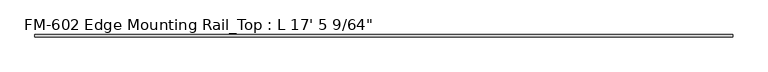
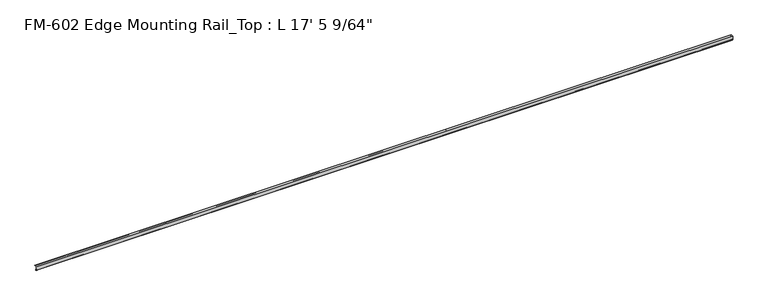
"""IFC4 building model written with IfcOpenShell, lengths in millimetres: proxy geometry."""

from ifc_helpers import new_model, si_unit, point, frame, frame_2d, origin, place, context, project, spatial, polyline, circle_curve, trimmed, segment, composite_curve, outline, extrude, source, transform, mapped, element, save


def proxy_94986d78(model_context):
    return source(origin(), model_context, "Body", "SweptSolid", [
        extrude(outline(composite_curve([segment(polyline([(-13.6400687, -32.1158903), (-15.4750158, -32.6885982)]), True, "CONTINUOUS"), segment(trimmed(circle_curve(frame_2d((-15.6853088, -32.2686835)), 0.4696291), [point((-15.4750158, -32.6885982))], [point((-16.1549378, -32.2686835))], False, "CARTESIAN"), True, "CONTINUOUS"), segment(polyline([(-16.1549378, -32.2686835), (-16.1549378, -30.7270734)]), True, "CONTINUOUS"), segment(trimmed(circle_curve(frame_2d((-17.7424378, -30.7270734)), 1.5875), [point((-16.1549378, -30.7270734))], [point((-17.7424378, -29.1395734))], True, "CARTESIAN"), True, "CONTINUOUS"), segment(polyline([(-17.7424378, -29.1395734), (-19.05, -29.1395734), (-19.05, 0.0), (0.0, 0.0), (0.0, -1.5875), (-3.2106953, -1.5875)]), True, "CONTINUOUS"), segment(trimmed(circle_curve(frame_2d((-4.7981953, -1.5875)), 1.5875), [point((-3.2106953, -1.5875))], [point((-6.3856306, -1.6018315))], False, "CARTESIAN"), True, "CONTINUOUS"), segment(polyline([(-6.3856306, -1.6018315), (-15.5573314, -1.6102595)]), True, "CONTINUOUS"), segment(trimmed(circle_curve(frame_2d((-15.5575, -3.5152595)), 1.905), [point((-15.5573314, -1.6102595))], [point((-17.4625, -3.5152595))], True, "CARTESIAN"), True, "CONTINUOUS"), segment(polyline([(-17.4625, -3.5152595), (-17.4625, -12.4909614), (-17.9716639, -13.408381), (-17.9716639, -14.7485418), (-17.4625, -15.6659614), (-17.4625, -26.8535734)]), True, "CONTINUOUS"), segment(trimmed(circle_curve(frame_2d((-16.9545, -26.8535734)), 0.508), [point((-17.4625, -26.8535734))], [point((-16.9376166, -27.3612928))], True, "CARTESIAN"), True, "CONTINUOUS"), segment(trimmed(circle_curve(frame_2d((-16.9169378, -26.5995734)), 0.762), [point((-16.9376166, -27.3612928))], [point((-16.1779173, -26.4138515))], True, "CARTESIAN"), True, "CONTINUOUS"), segment(trimmed(circle_curve(frame_2d((-15.6245238, -26.2747792)), 0.5706009), [point((-16.1779173, -26.4138515))], [point((-15.4364113, -25.7360779))], False, "CARTESIAN"), True, "CONTINUOUS"), segment(polyline([(-15.4364113, -25.7360779), (-13.6400687, -26.2967369)]), True, "CONTINUOUS"), segment(trimmed(circle_curve(frame_2d((-14.5481808, -29.2063136)), 3.048), [point((-13.6400687, -26.2967369))], [point((-11.9462301, -30.7938136))], False, "CARTESIAN"), True, "CONTINUOUS"), segment(trimmed(circle_curve(frame_2d((-14.5481808, -29.2063136)), 3.048), [point((-11.9462301, -30.7938136))], [point((-13.6400687, -32.1158903))], False, "CARTESIAN"), True, "CONTINUOUS")], self_intersect=False)), frame((0.0, 0.0, 0.0), z_axis=(1.0, 0.0, 0.0), x_axis=(0.0, 1.0, 0.0)), (0.0, 0.0, 1.0), 5312.171875),
    ])


if __name__ == "__main__":
    model = new_model("IFC4")
    model_context = context("Model", 3, world=origin())
    ifc_project = project(units=[si_unit("LENGTHUNIT", "METRE", prefix="MILLI")], contexts=[model_context])
    site = spatial("IfcSite", under=ifc_project)
    building = spatial("IfcBuilding", under=site)
    placement = place(None, origin())
    proxy_shape = proxy_94986d78(model_context)
    element("IfcBuildingElementProxy", 1, Name="FM-602 Edge Mounting Rail_Top : L 17' 5 9/64\"", ObjectType="FM-602 Edge Mounting Rail_Top : L 17' 5 9/64\"", at=placement, inside=building, context=model_context, shape_type="MappedRepresentation", body=[
        mapped(proxy_shape, transform((0.0, 0.0, 0.0), x_axis=(1.0, 0.0, 0.0), y_axis=(0.0, 1.0, 0.0), z_axis=(0.0, 0.0, 1.0))),
    ])
    save(model, "model.ifc")
